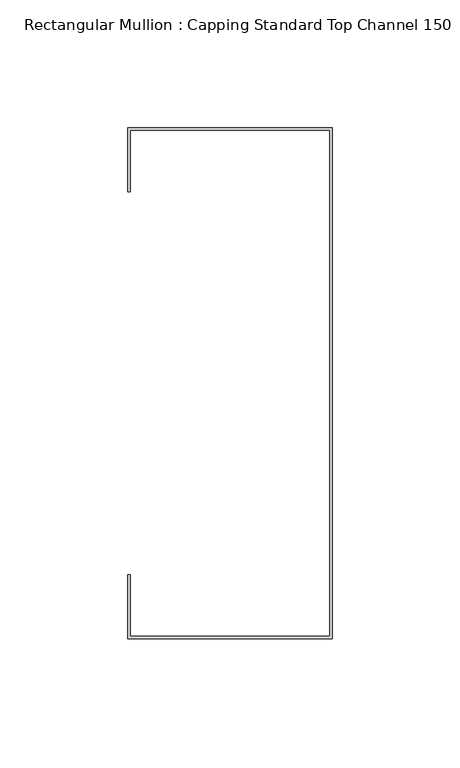
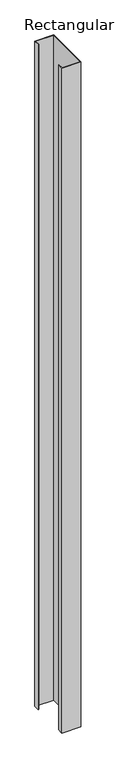
"""IFC4 building model written with IfcOpenShell, lengths in millimetres: member geometry, Rectangular Mullion : Capping Standard Top Channel 150."""

from ifc_helpers import new_model, si_unit, frame, origin, place, context, project, spatial, polyline, outline, extrude, source, transform, mapped, element, save


def rectangular_mullion_capping_standard_top_channel_150_b326e4e6(model_context):
    return source(origin(), model_context, "Body", "SweptSolid", [
        extrude(outline(polyline([(-0.95, -99.05), (-0.95, 99.05), (-79.05, 99.05), (-79.05, 75.0), (-80.0, 75.0), (-80.0, 100.0), (0.0, 100.0), (0.0, -100.0), (-80.0, -100.0), (-80.0, -75.0), (-79.05, -75.0), (-79.05, -99.05), (-0.95, -99.05)])), frame((0.0, 0.0, -3000.0), z_axis=(0.0, 0.0, 1.0), x_axis=(1.0, 0.0, 0.0)), (0.0, 0.0, 1.0), 3000.0),
    ])


if __name__ == "__main__":
    model = new_model("IFC4")
    model_context = context("Model", 3, world=origin())
    ifc_project = project(units=[si_unit("LENGTHUNIT", "METRE", prefix="MILLI")], contexts=[model_context])
    site = spatial("IfcSite", under=ifc_project)
    building = spatial("IfcBuilding", under=site)
    placement = place(None, origin())
    rectangular_mullion_capping_standard_top_channel_150_shape = rectangular_mullion_capping_standard_top_channel_150_b326e4e6(model_context)
    element("IfcMember", 1, ObjectType="Rectangular Mullion : Capping Standard Top Channel 150", at=placement, inside=building, context=model_context, shape_type="MappedRepresentation", body=[
        mapped(rectangular_mullion_capping_standard_top_channel_150_shape, transform((0.0, 0.0, 0.0), x_axis=(1.0, 0.0, 0.0), y_axis=(0.0, 1.0, 0.0), z_axis=(0.0, 0.0, 1.0))),
    ])
    save(model, "model.ifc")
